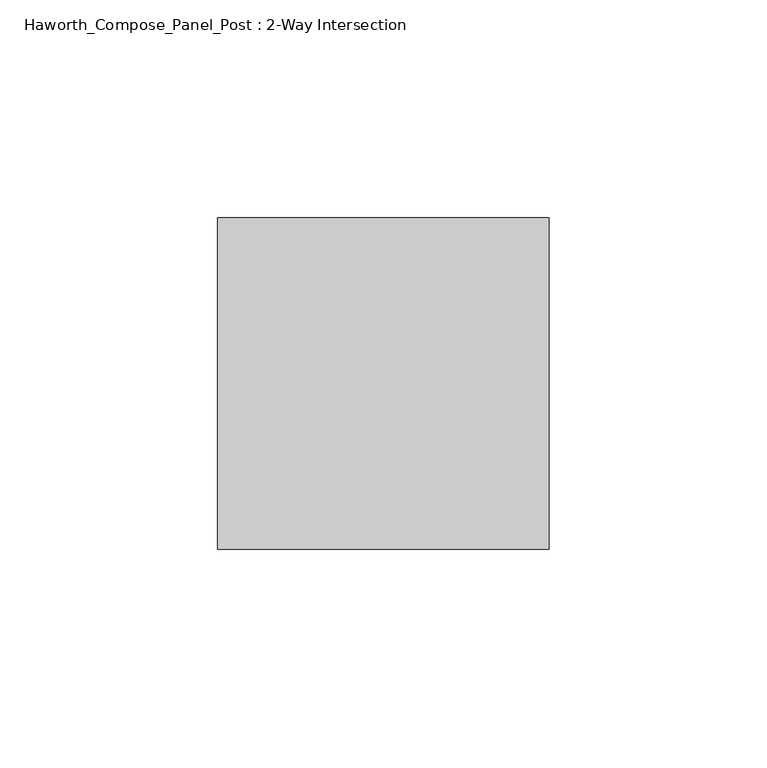
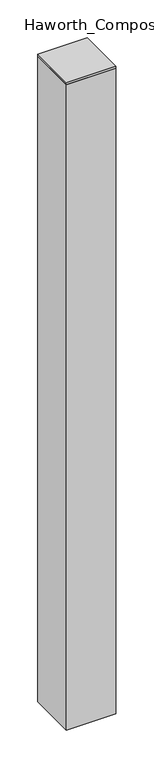
"""IFC4 building model written with IfcOpenShell, lengths in millimetres: furniture geometry, Haworth_Compose_Panel_Post : 2-Way Intersection."""

from ifc_helpers import new_model, si_unit, frame, origin, place, context, project, spatial, polyline, outline, extrude, source, transform, mapped, element, save


def haworth_compose_panel_post_2_way_intersection_3cbd3f14(model_context):
    return source(origin(), model_context, "Body", "SweptSolid", [
        extrude(outline(polyline([(0.0, -38.1), (0.0, 38.1), (76.2, 38.1), (76.2, -38.1), (0.0, -38.1)])), frame((0.0, 0.0, 1060.45), z_axis=(0.0, 0.0, 1.0), x_axis=(1.0, 0.0, 0.0)), (0.0, 0.0, 1.0), 3.175),
        extrude(outline(polyline([(76.2, -38.1), (0.0, -38.1), (0.0, 38.1), (76.2, 38.1), (76.2, -38.1)])), frame((0.0, 0.0, 12.7), z_axis=(0.0, 0.0, 1.0), x_axis=(1.0, 0.0, 0.0)), (0.0, 0.0, 1.0), 1047.75),
    ])


if __name__ == "__main__":
    model = new_model("IFC4")
    model_context = context("Model", 3, world=origin())
    ifc_project = project(units=[si_unit("LENGTHUNIT", "METRE", prefix="MILLI")], contexts=[model_context])
    site = spatial("IfcSite", under=ifc_project)
    building = spatial("IfcBuilding", under=site)
    placement = place(None, origin())
    haworth_compose_panel_post_2_way_intersection_shape = haworth_compose_panel_post_2_way_intersection_3cbd3f14(model_context)
    element("IfcFurniture", 1, ObjectType="Haworth_Compose_Panel_Post : 2-Way Intersection", at=placement, inside=building, context=model_context, shape_type="MappedRepresentation", body=[
        mapped(haworth_compose_panel_post_2_way_intersection_shape, transform((0.0, 0.0, 0.0), x_axis=(1.0, 0.0, 0.0), y_axis=(0.0, 1.0, 0.0), z_axis=(0.0, 0.0, 1.0))),
    ])
    save(model, "model.ifc")
